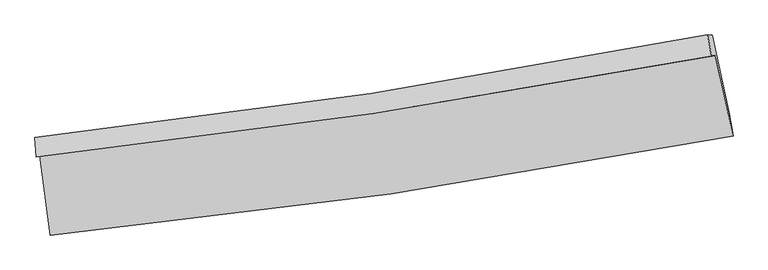
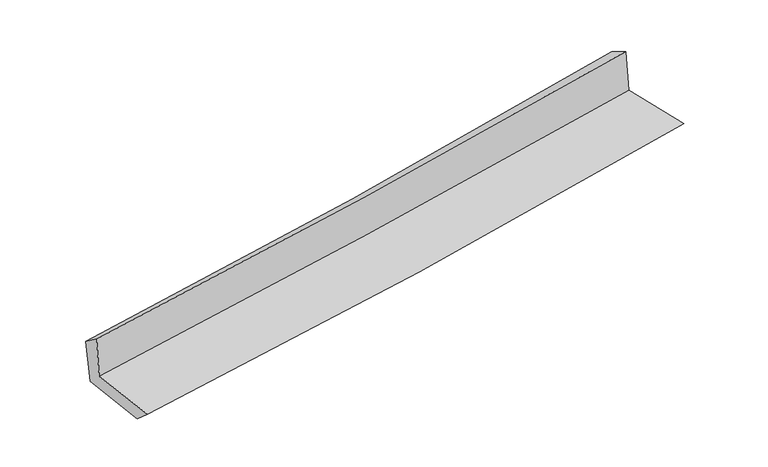
"""IFC4 building model written with IfcOpenShell, lengths in millimetres: proxy geometry."""

from ifc_helpers import new_model, si_unit, frame, origin, place, context, project, spatial, source, transform, mapped, element, save
from ifc_brep_helpers import plane_surface, spline_curve, spline_surface, advanced_brep


def generic_models_62ad5640(model_context):
    return source(origin(), model_context, "Body", "AdvancedBrep", [
        advanced_brep(
        [(-2781.1500525, -1899.7227387, 1661.5156851), (-2696.3910627, -2551.3183437, 1642.255969), (2878.3738137, -1739.6394763, 2128.518554), (2734.3606763, -1084.2065932, 2117.7009584), (-2811.5196595, -1913.8002706, 2056.1315131), (2701.0597473, -1088.4752416, 2521.3017276), (-2822.3354219, -1752.002181, 1935.4049214), (2670.5033187, -913.1663548, 2424.5605607), (-2787.675034, -1763.4252508, 1528.0904139), (2706.3477674, -917.284027, 2012.8380573), (-2705.1333283, -2399.5179599, 1511.7508355), (2848.3176037, -1554.7912803, 2001.0216013)],
        [
            (0, 1),
            (1, 2, spline_curve(3, [(-2696.3910627, -2551.3183437, 1642.255969), (-1767.269974017, -2461.263937338, 1731.845081829), (-840.396660451, -2349.034666312, 1816.985983067), (1017.902505501, -2078.911159282, 1979.160994937), (1949.284150767, -1920.58080787, 2056.107622063), (2878.3738137, -1739.6394763, 2128.518554)], [4, 2, 4], [0.0, 9.183715003728564, 18.457298899835298])),
            (2, 3),
            (3, 0, spline_curve(3, [(2734.3606763, -1084.2065932, 2117.7009584), (1814.471808904, -1252.847510169, 2052.368306374), (892.654209456, -1405.380494615, 1981.474497312), (-945.886567528, -1676.90852334, 1829.305476955), (-1862.572544563, -1796.214254143, 1748.137528591), (-2781.1500525, -1899.7227387, 1661.5156851)], [4, 2, 4], [0.0, 9.273583896106734, 18.457298899835298])),
            (4, 0),
            (3, 5),
            (5, 4, spline_curve(3, [(2701.0597473, -1088.4752416, 2521.3017276), (1782.4096021, -1262.134858303, 2454.44901438), (861.455009429, -1417.990360506, 2382.042821051), (-976.115906968, -1692.755301868, 2226.878968503), (-1892.687783426, -1812.008142239, 2144.228423876), (-2811.5196595, -1913.8002706, 2056.1315131)], [4, 2, 4], [0.0, 9.222734288651054, 18.356092460742985])),
            (6, 4),
            (5, 7),
            (7, 6, spline_curve(3, [(2670.5033187, -913.1663548, 2424.5605607), (1756.617494197, -1093.102429084, 2351.962389), (839.694577211, -1253.217770479, 2274.67915623), (-991.310248156, -1532.447414584, 2111.536912243), (-1905.333578228, -1651.944015116, 2025.768264867), (-2822.3354219, -1752.002181, 1935.4049214)], [4, 2, 4], [0.0, 9.209866076092172, 18.330480739517753])),
            (8, 6),
            (7, 9),
            (9, 8, spline_curve(3, [(2706.3477674, -917.284027, 2012.8380573), (1792.615851685, -1096.174337114, 1932.760740165), (875.669879716, -1256.384068444, 1852.127061565), (-955.733046302, -1538.070836244, 1690.53378297), (-1870.128007959, -1659.908179305, 1609.584913528), (-2787.675034, -1763.4252508, 1528.0904139)], [4, 2, 4], [0.0, 9.198771402324553, 18.308398908780116])),
            (10, 8),
            (9, 11),
            (11, 10, spline_curve(3, [(2848.3176037, -1554.7912803, 2001.0216013), (1923.837153429, -1737.990847714, 1919.963349064), (996.542393675, -1900.225687403, 1838.460984817), (-854.662199019, -2181.396884408, 1675.36216363), (-1778.517749928, -2300.7376045, 1593.774272383), (-2705.1333283, -2399.5179599, 1511.7508355)], [4, 2, 4], [0.0, 9.248785688756097, 18.407942800793272])),
            (1, 10),
            (11, 2),
        ],
        [
            spline_surface(3, 3, [[(-2781.1500525, -1899.7227387, 1661.5156851), (-1862.572544595, -1796.214254276, 1748.137528573), (-945.886567661, -1676.90852339, 1829.305477049), (892.654209591, -1405.380494565, 1981.474497217), (1814.471808881, -1252.847510241, 2052.368306508), (2734.3606763, -1084.2065932, 2117.7009584)], [(-2752.897055898, -2116.921273702, 1655.095779718), (-1830.805021068, -2017.897481933, 1742.706713007), (-910.723265265, -1900.950570991, 1825.198979085), (934.403641592, -1629.890716182, 1980.70332981), (1859.409256185, -1475.425276139, 2053.61474502), (2782.365055421, -1302.684220879, 2121.306823583)], [(-2724.644059302, -2334.119808698, 1648.675874382), (-1799.037497549, -2239.580709584, 1737.275897486), (-875.559962905, -2124.992618585, 1821.092481046), (976.153073557, -1854.400937793, 1979.932162329), (1904.346703527, -1698.003042101, 2054.861183583), (2830.369434579, -1521.161848621, 2124.912688817)], [(-2696.3910627, -2551.3183437, 1642.255969), (-1767.269974022, -2461.26393724, 1731.84508192), (-840.396660509, -2349.034666186, 1816.985983082), (1017.902505559, -2078.91115941, 1979.160994922), (1949.284150831, -1920.580808, 2056.107622096), (2878.3738137, -1739.6394763, 2128.518554)]], [4, 4], [4, 2, 4], [0.0, 2.239859209545908], [0.0, 9.183715003728564, 18.457298899835298]),
            spline_surface(3, 3, [[(-2811.5196595, -1913.8002706, 2056.1315131), (-1892.687783429, -1812.008142353, 2144.228423824), (-976.115907087, -1692.755301739, 2226.878968538), (861.455009549, -1417.990360636, 2382.042821015), (1782.409602097, -1262.134858262, 2454.449014504), (2701.0597473, -1088.4752416, 2521.3017276)], [(-2801.396457163, -1909.10775995, 1924.592903761), (-1882.64937048, -1806.743512978, 2012.198125402), (-966.039460638, -1687.473042309, 2094.354471372), (871.854742871, -1413.787071966, 2248.520046413), (1793.097004362, -1259.0390756, 2320.422111852), (2712.16005697, -1087.052358811, 2386.76813788)], [(-2791.273254837, -1904.41524935, 1793.054294439), (-1872.610957543, -1801.478883652, 1880.167826996), (-955.963014111, -1682.19078282, 1961.829974215), (882.254476269, -1409.583783236, 2114.997271819), (1803.784406617, -1255.943292903, 2186.39520916), (2723.26036663, -1085.629475989, 2252.23454812)], [(-2781.1500525, -1899.7227387, 1661.5156851), (-1862.572544595, -1796.214254276, 1748.137528573), (-945.886567661, -1676.90852339, 1829.305477049), (892.654209591, -1405.380494565, 1981.474497217), (1814.471808881, -1252.847510241, 2052.368306508), (2734.3606763, -1084.2065932, 2117.7009584)]], [4, 4], [4, 2, 4], [0.0, 1.3140363000179762], [0.0, 9.133358172091931, 18.356092460742985]),
            spline_surface(3, 3, [[(-2822.3354219, -1752.002181, 1935.4049214), (-1905.333578315, -1651.944015088, 2025.76826487), (-991.310248299, -1532.447414567, 2111.536912144), (839.694577356, -1253.217770497, 2274.67915633), (1756.617494189, -1093.10242896, 2351.962388858), (2670.5033187, -913.1663548, 2424.5605607)], [(-2818.730167781, -1805.934877544, 1975.647118641), (-1901.118313368, -1705.298724188, 2065.254984529), (-986.245467889, -1585.883376965, 2149.984264281), (846.94805476, -1308.141967217, 2310.467044563), (1765.21486349, -1149.44657207, 2386.124597414), (2680.688794899, -971.602650409, 2456.807616341)], [(-2815.124913619, -1859.867574056, 2015.889315859), (-1896.903048376, -1758.653433254, 2104.741704165), (-981.180687497, -1639.319339341, 2188.431616402), (854.201532146, -1363.066163916, 2346.254932782), (1773.812232796, -1205.790715152, 2420.286805947), (2690.874271101, -1030.038945991, 2489.054671959)], [(-2811.5196595, -1913.8002706, 2056.1315131), (-1892.687783429, -1812.008142353, 2144.228423824), (-976.115907087, -1692.755301739, 2226.878968538), (861.455009549, -1417.990360636, 2382.042821015), (1782.409602097, -1262.134858262, 2454.449014504), (2701.0597473, -1088.4752416, 2521.3017276)]], [4, 4], [4, 2, 4], [0.0, 0.6492403070594437], [0.0, 9.120614663425581, 18.330480739517753]),
            spline_surface(3, 3, [[(-2787.675034, -1763.4252508, 1528.0904139), (-1870.128007956, -1659.908179392, 1609.584913441), (-955.7330462, -1538.070836169, 1690.533782887), (875.669879613, -1256.384068519, 1852.12706165), (1792.615851677, -1096.174337162, 1932.760740025), (2706.3477674, -917.284027, 2012.8380573)], [(-2799.228496633, -1759.617560846, 1663.861916394), (-1881.863198076, -1657.253457937, 1748.312697245), (-967.592113547, -1536.19636228, 1830.868159302), (863.678112214, -1255.328635824, 1992.977759872), (1780.616399199, -1095.150367747, 2072.494622956), (2694.399617851, -915.911469585, 2150.078891753)], [(-2810.781959267, -1755.809870954, 1799.633418906), (-1893.598388195, -1654.598736543, 1887.040481066), (-979.451180952, -1534.321888455, 1971.202535729), (851.686344755, -1254.273203192, 2133.828458107), (1768.616946667, -1094.126398376, 2212.228505927), (2682.451468249, -914.538912215, 2287.319726247)], [(-2822.3354219, -1752.002181, 1935.4049214), (-1905.333578315, -1651.944015088, 2025.76826487), (-991.310248299, -1532.447414567, 2111.536912144), (839.694577356, -1253.217770497, 2274.67915633), (1756.617494189, -1093.10242896, 2351.962388858), (2670.5033187, -913.1663548, 2424.5605607)]], [4, 4], [4, 2, 4], [0.0, 1.3888526498361524], [0.0, 9.109627506455563, 18.308398908780116]),
            spline_surface(3, 3, [[(-2705.1333283, -2399.5179599, 1511.7508355), (-1778.517749796, -2300.737604421, 1593.774272529), (-854.662198898, -2181.396884273, 1675.362163633), (996.542393552, -1900.225687539, 1838.460984814), (1923.837153333, -1737.990847819, 1919.963349015), (2848.3176037, -1554.7912803, 2001.0216013)], [(-2732.647230193, -2187.487056884, 1517.197361643), (-1809.054502509, -2087.127796096, 1599.044486176), (-888.352481354, -1966.954868243, 1680.41937004), (956.251555551, -1685.611814537, 1843.016343748), (1880.096719451, -1524.052010941, 1924.229146037), (2800.994324937, -1342.28886254, 2004.960419985)], [(-2760.161132107, -1975.456153816, 1522.643887757), (-1839.591255243, -1873.517987717, 1604.314699795), (-922.042763744, -1752.512852198, 1685.47657648), (915.960717615, -1470.997941521, 1847.571702715), (1836.356285559, -1310.113174041, 1928.494943003), (2753.671046163, -1129.78644476, 2008.899238615)], [(-2787.675034, -1763.4252508, 1528.0904139), (-1870.128007956, -1659.908179392, 1609.584913441), (-955.7330462, -1538.070836169, 1690.533782887), (875.669879613, -1256.384068519, 1852.12706165), (1792.615851677, -1096.174337162, 1932.760740025), (2706.3477674, -917.284027, 2012.8380573)]], [4, 4], [4, 2, 4], [0.0, 2.143237369125943], [0.0, 9.159157112037175, 18.407942800793272]),
            spline_surface(3, 3, [[(-2696.3910627, -2551.3183437, 1642.255969), (-1767.269974022, -2461.26393724, 1731.84508192), (-840.396660509, -2349.034666186, 1816.985983082), (1017.902505559, -2078.91115941, 1979.160994922), (1949.284150831, -1920.580808, 2056.107622096), (2878.3738137, -1739.6394763, 2128.518554)], [(-2699.305151232, -2500.718215773, 1598.754257842), (-1771.019232612, -2407.75515964, 1685.821478798), (-845.151839962, -2293.155405535, 1769.778043254), (1010.782468233, -2019.34933544, 1932.26099154), (1940.801818321, -1859.717487947, 2010.726197727), (2868.355077023, -1678.023410974, 2086.019569758)], [(-2702.219239768, -2450.118087827, 1555.252546658), (-1774.768491206, -2354.246382021, 1639.79787565), (-849.907019445, -2237.276144924, 1722.570103461), (1003.662430878, -1959.787511509, 1885.360988195), (1932.319485843, -1798.854167871, 1965.344773384), (2858.336340377, -1616.407345626, 2043.520585542)], [(-2705.1333283, -2399.5179599, 1511.7508355), (-1778.517749796, -2300.737604421, 1593.774272529), (-854.662198898, -2181.396884273, 1675.362163633), (996.542393552, -1900.225687539, 1838.460984814), (1923.837153333, -1737.990847819, 1919.963349015), (2848.3176037, -1554.7912803, 2001.0216013)]], [4, 4], [4, 2, 4], [0.0, 0.7354308769611492], [0.0, 9.220498204005848, 18.531225249001697]),
            plane_surface(frame((2756.4938212, -1216.2604955, 2200.9902432), z_axis=(0.9730801827136331, 0.21516997296405943, 0.08256416138161073), x_axis=(-0.08672735585057822, 0.009962904703229816, 0.9961822655905102))),
            plane_surface(frame((-2767.3674265, -2046.6311241, 1722.5248897), z_axis=(-0.9887216300661434, -0.12622983899971965, -0.08059507420092821), x_axis=(-0.12893702065812138, 0.9912198832812099, 0.02929825407412507))),
        ],
        [
            (0, [[1, 2, 3, 4]]),
            (1, [[5, -4, 6, 7]]),
            (2, [[8, -7, 9, 10]]),
            (3, [[11, -10, 12, 13]]),
            (4, [[14, -13, 15, 16]]),
            (5, [[17, -16, 18, -2]]),
            (6, [[-12, -9, -6, -3, -18, -15]]),
            (7, [[-1, -5, -8, -11, -14, -17]]),
        ],
    ),
    ])


if __name__ == "__main__":
    model = new_model("IFC4")
    model_context = context("Model", 3, world=origin())
    ifc_project = project(units=[si_unit("LENGTHUNIT", "METRE", prefix="MILLI")], contexts=[model_context])
    site = spatial("IfcSite", under=ifc_project)
    building = spatial("IfcBuilding", under=site)
    placement = place(None, origin())
    generic_models_shape = generic_models_62ad5640(model_context)
    element("IfcBuildingElementProxy", 1, Name="Generic Models", at=placement, inside=building, context=model_context, shape_type="MappedRepresentation", body=[
        mapped(generic_models_shape, transform((0.0, 0.0, 0.0), x_axis=(1.0, 0.0, 0.0), y_axis=(0.0, 1.0, 0.0), z_axis=(0.0, 0.0, 1.0))),
    ])
    save(model, "model.ifc")
